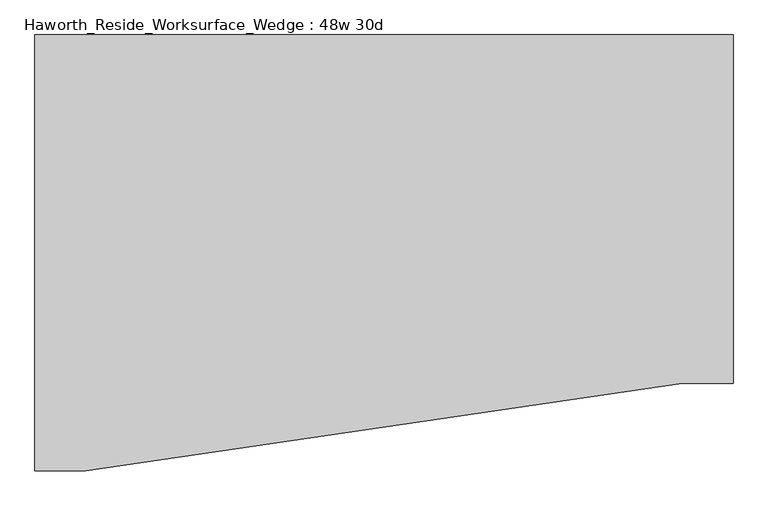
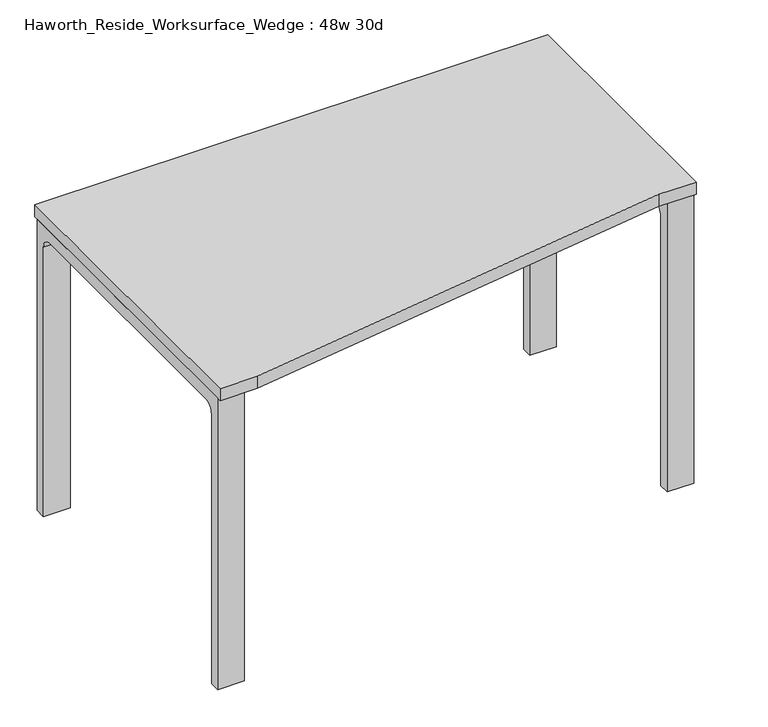
"""IFC4 building model written with IfcOpenShell, lengths in millimetres: furniture geometry, Haworth_Reside_Worksurface_Wedge : 48w 30d."""

from ifc_helpers import new_model, si_unit, point, frame, frame_2d, origin, place, context, project, spatial, polyline, circle_curve, trimmed, segment, composite_curve, outline, extrude, source, transform, mapped, element, save


def haworth_reside_worksurface_wedge_48w_30d_960bd920(model_context):
    return source(origin(), model_context, "Body", "SweptSolid", [
        extrude(outline(composite_curve([segment(trimmed(circle_curve(frame_2d((396.875, 676.275)), 25.4), [point((422.275, 676.275))], [point((396.875, 701.675))], True, "CARTESIAN"), True, "CONTINUOUS"), segment(polyline([(396.875, 701.675), (-92.075, 701.675)]), True, "CONTINUOUS"), segment(trimmed(circle_curve(frame_2d((-92.075, 676.275)), 25.4), [point((-92.075, 701.675))], [point((-117.475, 676.275))], True, "CARTESIAN"), True, "CONTINUOUS"), segment(polyline([(-117.475, 676.275), (-117.475, 0.0), (-142.875, 0.0), (-142.875, 731.8375), (447.675, 731.8375), (447.675, 0.0), (422.275, 0.0), (422.275, 676.275)]), True, "CONTINUOUS")], self_intersect=False)), frame((546.1, 0.0, 0.0), z_axis=(1.0, 0.0, 0.0), x_axis=(0.0, 1.0, 0.0)), (0.0, 0.0, 1.0), 63.5),
        extrude(outline(composite_curve([segment(trimmed(circle_curve(frame_2d((396.875, 676.275)), 25.4), [point((422.275, 676.275))], [point((396.875, 701.675))], True, "CARTESIAN"), True, "CONTINUOUS"), segment(polyline([(396.875, 701.675), (-244.475, 701.675)]), True, "CONTINUOUS"), segment(trimmed(circle_curve(frame_2d((-244.475, 676.275)), 25.4), [point((-244.475, 701.675))], [point((-269.875, 676.275))], True, "CARTESIAN"), True, "CONTINUOUS"), segment(polyline([(-269.875, 676.275), (-269.875, 0.0), (-295.275, 0.0), (-295.275, 731.8375), (447.675, 731.8375), (447.675, 0.0), (422.275, 0.0), (422.275, 676.275)]), True, "CONTINUOUS")], self_intersect=False)), frame((-609.6, 0.0, 0.0), z_axis=(1.0, 0.0, 0.0), x_axis=(0.0, 1.0, 0.0)), (0.0, 0.0, 1.0), 63.5),
        extrude(outline(polyline([(609.6, 457.2), (609.6, -152.4), (520.7, -152.4), (-520.7, -304.8), (-609.6, -304.8), (-609.6, 457.2), (609.6, 457.2)])), frame((0.0, 0.0, 731.8375), z_axis=(0.0, 0.0, 1.0), x_axis=(1.0, 0.0, 0.0)), (0.0, 0.0, 1.0), 30.1625),
    ])


if __name__ == "__main__":
    model = new_model("IFC4")
    model_context = context("Model", 3, world=origin())
    ifc_project = project(units=[si_unit("LENGTHUNIT", "METRE", prefix="MILLI")], contexts=[model_context])
    site = spatial("IfcSite", under=ifc_project)
    building = spatial("IfcBuilding", under=site)
    placement = place(None, origin())
    haworth_reside_worksurface_wedge_48w_30d_shape = haworth_reside_worksurface_wedge_48w_30d_960bd920(model_context)
    element("IfcFurniture", 1, ObjectType="Haworth_Reside_Worksurface_Wedge : 48w 30d", at=placement, inside=building, context=model_context, shape_type="MappedRepresentation", body=[
        mapped(haworth_reside_worksurface_wedge_48w_30d_shape, transform((0.0, 0.0, 0.0), x_axis=(1.0, 0.0, 0.0), y_axis=(0.0, 1.0, 0.0), z_axis=(0.0, 0.0, 1.0))),
    ])
    save(model, "model.ifc")
